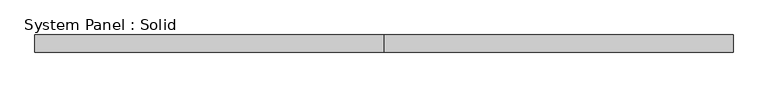
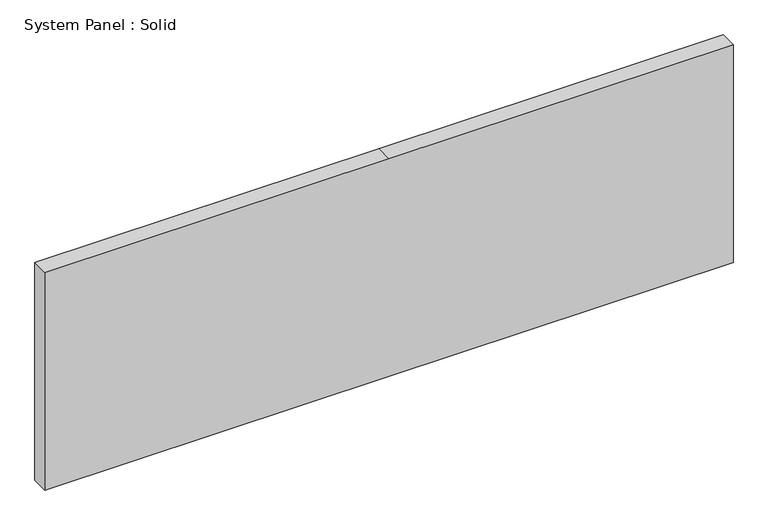
"""IFC4 building model written with IfcOpenShell, lengths in millimetres: plate geometry, System Panel : Solid."""

from ifc_helpers import new_model, si_unit, frame, origin, place, context, project, spatial, polyline, outline, extrude, source, transform, mapped, element, save


def system_panel_solid_ec766e37(model_context):
    return source(origin(), model_context, "Body", "SweptSolid", [
        extrude(outline(polyline([(0.0, -1225.0), (0.0, 0.0), (0.0, 1225.0), (820.0, 1225.0), (820.0, 0.0), (820.0, -1225.0), (0.0, -1225.0)])), frame((0.0, -49.5, 0.0), z_axis=(0.0, 1.0, 0.0), x_axis=(0.0, 0.0, 1.0)), (0.0, 0.0, 1.0), 60.0),
    ])


if __name__ == "__main__":
    model = new_model("IFC4")
    model_context = context("Model", 3, world=origin())
    ifc_project = project(units=[si_unit("LENGTHUNIT", "METRE", prefix="MILLI")], contexts=[model_context])
    site = spatial("IfcSite", under=ifc_project)
    building = spatial("IfcBuilding", under=site)
    placement = place(None, origin())
    system_panel_solid_shape = system_panel_solid_ec766e37(model_context)
    element("IfcPlate", 1, ObjectType="System Panel : Solid", at=placement, inside=building, context=model_context, shape_type="MappedRepresentation", body=[
        mapped(system_panel_solid_shape, transform((0.0, 0.0, 0.0), x_axis=(1.0, 0.0, 0.0), y_axis=(0.0, 1.0, 0.0), z_axis=(0.0, 0.0, 1.0))),
    ])
    save(model, "model.ifc")
